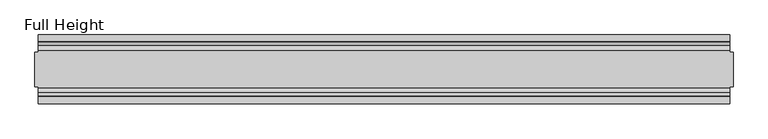
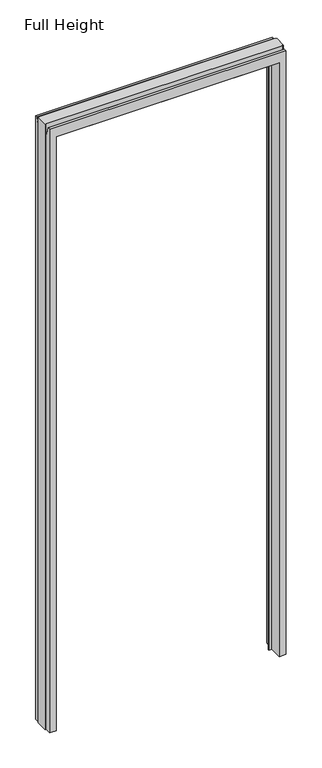
"""IFC4 building model written with IfcOpenShell, lengths in millimetres: plate geometry, Full Height."""

from ifc_helpers import new_model, si_unit, frame, origin, place, context, project, spatial, polyline, circle_curve, source, transform, mapped, element, save
from ifc_brep_helpers import plane_surface, cylinder_surface, revolved_surface, advanced_brep


def full_height_939d0b07(model_context):
    return source(origin(), model_context, "Body", "AdvancedBrep", [
        advanced_brep(
        [(-502.5367517, 50.0, 0.0), (-480.4387517, 50.0, 0.0), (-474.4697517, 6.1006519, 0.0), (-461.7697517, 6.1006519, 0.0), (-461.7697517, 4.8306519, 0.0), (-474.4697517, 4.8306519, 0.0), (-474.4697517, -50.0, 0.0), (-502.5367517, -50.0, 0.0), (-502.5367517, -25.146, 0.0), (-507.1087517, -25.146, 0.0), (-507.1087517, 25.146, 0.0), (-502.5367517, 25.146, 0.0), (502.5367517, -50.0, 0.0), (474.4697517, -50.0, 0.0), (474.4697517, 4.8306519, 0.0), (461.7697517, 4.8306519, 0.0), (461.7697517, 6.1006519, 0.0), (474.4697517, 6.1006519, 0.0), (480.4387517, 50.0, 0.0), (502.5367517, 50.0, 0.0), (502.5367517, 25.146, 0.0), (507.1087517, 25.146, 0.0), (507.1087517, -25.146, 0.0), (502.5367517, -25.146, 0.0), (507.1087517, 25.146, 2720.34), (502.5367517, 25.146, 2720.34), (502.5367517, 26.67, 2720.34), (-502.5367517, 26.67, 2720.34), (-502.5367517, 25.146, 2720.34), (-507.1087517, 25.146, 2720.34), (-507.1087517, -25.146, 2720.34), (-502.5367517, -25.146, 2720.34), (-502.5367517, -26.67, 2720.34), (502.5367517, -26.67, 2720.34), (502.5367517, -25.146, 2720.34), (507.1087517, -25.146, 2720.34), (-502.5367517, -50.0, 2711.196), (-502.5367517, -39.9371387, 2711.196), (-502.5367517, -39.1867152, 2710.5663199), (-502.5367517, -34.2321175, 2682.4674004), (-502.5367517, -26.67, 2683.129), (-502.5367517, 26.67, 2683.129), (-502.5367517, 34.2321175, 2682.4674004), (-502.5367517, 39.1867152, 2710.5663199), (-502.5367517, 39.9371387, 2711.196), (-502.5367517, 50.0, 2711.196), (-474.4697517, -50.0, 2666.619), (474.4697517, -50.0, 2666.619), (502.5367517, -50.0, 2711.196), (502.5367517, 50.0, 2711.196), (480.4387517, 50.0, 2666.619), (-480.4387517, 50.0, 2666.619), (502.5367517, 39.9371387, 2711.196), (502.5367517, 39.1867152, 2710.5663199), (502.5367517, 34.2321175, 2682.4674004), (502.5367517, 26.67, 2683.129), (502.5367517, -26.67, 2683.129), (502.5367517, -34.2321175, 2682.4674004), (502.5367517, -39.1867152, 2710.5663199), (502.5367517, -39.9371387, 2711.196), (-474.4697517, 4.8306519, 2666.619), (474.4697517, 4.8306519, 2666.619), (-461.7697517, 4.8306519, 2622.55), (461.7697517, 4.8306519, 2622.55), (-461.7697517, 6.1006519, 2622.55), (-474.4697517, 6.1006519, 2660.65), (474.4697517, 6.1006519, 2660.65), (461.7697517, 6.1006519, 2622.55)],
        [
            (0, 1),
            (1, 2),
            (2, 3),
            (3, 4),
            (4, 5),
            (5, 6),
            (6, 7),
            (7, 8),
            (8, 9),
            (9, 10),
            (10, 11),
            (11, 0),
            (12, 13),
            (13, 14),
            (14, 15),
            (15, 16),
            (16, 17),
            (17, 18),
            (18, 19),
            (19, 20),
            (20, 21),
            (21, 22),
            (22, 23),
            (23, 12),
            (24, 25),
            (25, 26),
            (26, 27),
            (27, 28),
            (28, 29),
            (29, 30),
            (30, 31),
            (31, 32),
            (32, 33),
            (33, 34),
            (34, 35),
            (35, 24),
            (20, 25),
            (24, 21),
            (34, 23),
            (22, 35),
            (29, 10),
            (9, 30),
            (8, 31),
            (28, 11),
            (7, 36),
            (36, 37),
            (37, 38, circle_curve(frame((-502.5367517, -39.9371387, 2710.434), z_axis=(-1.0, 0.0, 0.0), x_axis=(0.0, -1.0, 0.0)), 0.762)),
            (38, 39),
            (39, 40, circle_curve(frame((-502.5367517, -30.48, 2683.129), z_axis=(1.0, 0.0, 0.0), x_axis=(0.0, -1.0, 0.0)), 3.81)),
            (40, 32),
            (27, 41),
            (41, 42, circle_curve(frame((-502.5367517, 30.48, 2683.129), z_axis=(1.0, 0.0, 0.0), x_axis=(0.0, -1.0, 0.0)), 3.81)),
            (42, 43),
            (43, 44, circle_curve(frame((-502.5367517, 39.9371387, 2710.434), z_axis=(-1.0, 0.0, 0.0), x_axis=(0.0, -1.0, 0.0)), 0.762)),
            (44, 45),
            (45, 0),
            (6, 46),
            (46, 47),
            (47, 13),
            (12, 48),
            (48, 36),
            (45, 49),
            (49, 19),
            (18, 50),
            (50, 51),
            (51, 1),
            (49, 52),
            (52, 53, circle_curve(frame((502.5367517, 39.9371387, 2710.434), z_axis=(1.0, 0.0, 0.0), x_axis=(0.0, -1.0, 0.0)), 0.762)),
            (53, 54),
            (54, 55, circle_curve(frame((502.5367517, 30.48, 2683.129), z_axis=(-1.0, 0.0, 0.0), x_axis=(0.0, -1.0, 0.0)), 3.81)),
            (55, 26),
            (33, 56),
            (56, 57, circle_curve(frame((502.5367517, -30.48, 2683.129), z_axis=(-1.0, 0.0, 0.0), x_axis=(0.0, -1.0, 0.0)), 3.81)),
            (57, 58),
            (58, 59, circle_curve(frame((502.5367517, -39.9371387, 2710.434), z_axis=(1.0, 0.0, 0.0), x_axis=(0.0, -1.0, 0.0)), 0.762)),
            (59, 48),
            (5, 60),
            (60, 46),
            (61, 14),
            (47, 61),
            (4, 62),
            (62, 63),
            (63, 15),
            (61, 60),
            (3, 64),
            (64, 62),
            (2, 65),
            (65, 66),
            (66, 17),
            (16, 67),
            (67, 64),
            (51, 65),
            (66, 50),
            (63, 67),
            (55, 41),
            (54, 42),
            (53, 43),
            (52, 44),
            (59, 37),
            (58, 38),
            (57, 39),
            (56, 40),
        ],
        [
            plane_surface(frame((-502.5367517, -50.0, 0.0), z_axis=(0.0, 0.0, -1.0), x_axis=(0.0, 1.0, 0.0))),
            plane_surface(frame((502.5367517, 25.146, 2720.34), z_axis=(0.0, 0.0, 1.0), x_axis=(-1.0, 0.0, 0.0))),
            plane_surface(frame((507.1087517, 25.146, 2720.34), z_axis=(0.0, 1.0, 0.0), x_axis=(0.0, 0.0, -1.0))),
            plane_surface(frame((502.5367517, -25.146, 2720.34), z_axis=(0.0, -1.0, 0.0), x_axis=(0.0, 0.0, -1.0))),
            plane_surface(frame((507.1087517, -25.146, 2720.34), z_axis=(1.0, 0.0, 0.0), x_axis=(0.0, 0.0, -1.0))),
            plane_surface(frame((-507.1087517, 25.146, 2720.34), z_axis=(-1.0, 0.0, 0.0), x_axis=(0.0, 0.0, -1.0))),
            plane_surface(frame((-507.1087517, -25.146, 2720.34), z_axis=(0.0, -1.0, 0.0), x_axis=(0.0, 0.0, -1.0))),
            plane_surface(frame((-502.5367517, 25.146, 2720.34), z_axis=(0.0, 1.0, 0.0), x_axis=(0.0, 0.0, -1.0))),
            plane_surface(frame((-502.5367517, 50.0, 2678.4046), z_axis=(-1.0, 0.0, 0.0), x_axis=(0.0, 0.0, -1.0))),
            plane_surface(frame((-502.5367517, -50.0, 2678.4046), z_axis=(0.0, -1.0, 0.0), x_axis=(0.0, 0.0, -1.0))),
            plane_surface(frame((-480.4387517, 50.0, 2678.4046), z_axis=(0.0, 1.0, 0.0), x_axis=(0.0, 0.0, -1.0))),
            plane_surface(frame((502.5367517, -50.0, 2678.4046), z_axis=(1.0, 0.0, 0.0), x_axis=(0.0, 0.0, -1.0))),
            plane_surface(frame((-474.4697517, -50.0, 2678.4046), z_axis=(1.0, 0.0, 0.0), x_axis=(0.0, 0.0, -1.0))),
            plane_surface(frame((474.4697517, 4.8306519, 2678.4046), z_axis=(-1.0, 0.0, 0.0), x_axis=(0.0, 0.0, -1.0))),
            plane_surface(frame((-474.4697517, 4.8306519, 2678.4046), z_axis=(0.0, -1.0, 0.0), x_axis=(0.0, 0.0, -1.0))),
            plane_surface(frame((-461.7697517, 4.8306519, 2678.4046), z_axis=(1.0, 0.0, 0.0), x_axis=(0.0, 0.0, -1.0))),
            plane_surface(frame((-461.7697517, 6.1006519, 2678.4046), z_axis=(0.0, 1.0, 0.0), x_axis=(0.0, 0.0, -1.0))),
            plane_surface(frame((-474.4697517, 6.1006519, 2678.4046), z_axis=(0.9908822943533607, 0.13473039277393886, 0.0), x_axis=(0.0, 0.0, -1.0))),
            plane_surface(frame((480.4387517, 50.0, 2678.4046), z_axis=(-0.9908822943533602, 0.13473039277394336, 0.0), x_axis=(0.0, 0.0, -1.0))),
            plane_surface(frame((461.7697517, 6.1006519, 2678.4046), z_axis=(-1.0, 0.0, 0.0), x_axis=(0.0, 0.0, -1.0))),
            plane_surface(frame((-502.5367517, 26.67, 2720.34), z_axis=(0.0, 1.0, 0.0), x_axis=(1.0, 0.0, 0.0))),
            revolved_surface(polyline([(502.5367517, 26.67, 2683.129), (-502.5367517, 26.67, 2683.129)]), (502.5367517, 30.48, 2683.129), (1.0, 0.0, 0.0)),
            plane_surface(frame((-502.5367517, 34.2321175, 2682.4674004), z_axis=(0.0, -0.9848077530121587, 0.1736481776672104), x_axis=(1.0, 0.0, 0.0))),
            cylinder_surface(frame((502.5367517, 39.9371387, 2710.434), z_axis=(-1.0, 0.0, 0.0), x_axis=(0.0, -1.0, 0.0)), 0.762),
            plane_surface(frame((-502.5367517, 39.9371387, 2711.196), z_axis=(0.0, 0.0, 1.0), x_axis=(1.0, 0.0, 0.0))),
            plane_surface(frame((-502.5367517, 4.8306519, 2666.619), z_axis=(0.0, 0.0, -1.0), x_axis=(1.0, 0.0, 0.0))),
            plane_surface(frame((-502.5367517, -50.0, 2711.196), z_axis=(0.0, 0.0, 1.0), x_axis=(1.0, 0.0, 0.0))),
            cylinder_surface(frame((502.5367517, -39.9371387, 2710.434), z_axis=(-1.0, 0.0, 0.0), x_axis=(0.0, -1.0, 0.0)), 0.762),
            plane_surface(frame((-502.5367517, -39.1867152, 2710.5663199), z_axis=(0.0, 0.9848077530121684, 0.17364817766715565), x_axis=(1.0, 0.0, 0.0))),
            revolved_surface(polyline([(502.5367517, -34.29, 2683.129), (-502.5367517, -34.29, 2683.129)]), (502.5367517, -30.48, 2683.129), (1.0, 0.0, 0.0)),
            plane_surface(frame((-502.5367517, -26.67, 2683.129), z_axis=(0.0, -1.0, 0.0), x_axis=(1.0, 0.0, 0.0))),
            plane_surface(frame((-502.5367517, 50.0, 2666.619), z_axis=(0.0, 0.13473039277391335, -0.9908822943533642), x_axis=(1.0, 0.0, 0.0))),
            plane_surface(frame((-502.5367517, 6.1006519, 2622.55), z_axis=(0.0, 0.0, -1.0), x_axis=(1.0, 0.0, 0.0))),
        ],
        [
            (0, [[1, 2, 3, 4, 5, 6, 7, 8, 9, 10, 11, 12]]),
            (0, [[13, 14, 15, 16, 17, 18, 19, 20, 21, 22, 23, 24]]),
            (1, [[25, 26, 27, 28, 29, 30, 31, 32, 33, 34, 35, 36]]),
            (2, [[37, -25, 38, -21]]),
            (3, [[-35, 39, -23, 40]]),
            (4, [[-36, -40, -22, -38]]),
            (5, [[-30, 41, -10, 42]]),
            (6, [[43, -31, -42, -9]]),
            (7, [[-29, 44, -11, -41]]),
            (8, [[-8, 45, 46, 47, 48, 49, 50, -32, -43]]),
            (8, [[-12, -44, -28, 51, 52, 53, 54, 55, 56]]),
            (9, [[-45, -7, 57, 58, 59, -13, 60, 61]]),
            (10, [[-1, -56, 62, 63, -19, 64, 65, 66]]),
            (11, [[-20, -63, 67, 68, 69, 70, 71, -26, -37]]),
            (11, [[-60, -24, -39, -34, 72, 73, 74, 75, 76]]),
            (12, [[-6, 77, 78, -57]]),
            (13, [[79, -14, -59, 80]]),
            (14, [[-5, 81, 82, 83, -15, -79, 84, -77]]),
            (15, [[-4, 85, 86, -81]]),
            (16, [[-3, 87, 88, 89, -17, 90, 91, -85]]),
            (17, [[-87, -2, -66, 92]]),
            (18, [[-18, -89, 93, -64]]),
            (19, [[-16, -83, 94, -90]]),
            (20, [[-51, -27, -71, 95]]),
            (21, [[-52, -95, -70, 96]]),
            (22, [[-53, -96, -69, 97]]),
            (23, [[-54, -97, -68, 98]]),
            (24, [[-55, -98, -67, -62]]),
            (25, [[-58, -78, -84, -80]]),
            (26, [[-46, -61, -76, 99]]),
            (27, [[-47, -99, -75, 100]]),
            (28, [[-48, -100, -74, 101]]),
            (29, [[-49, -101, -73, 102]]),
            (30, [[-50, -102, -72, -33]]),
            (31, [[-65, -93, -88, -92]]),
            (32, [[-91, -94, -82, -86]]),
        ],
    ),
    ])


if __name__ == "__main__":
    model = new_model("IFC4")
    model_context = context("Model", 3, world=origin())
    ifc_project = project(units=[si_unit("LENGTHUNIT", "METRE", prefix="MILLI")], contexts=[model_context])
    site = spatial("IfcSite", under=ifc_project)
    building = spatial("IfcBuilding", under=site)
    placement = place(None, origin())
    full_height_shape = full_height_939d0b07(model_context)
    element("IfcPlate", 1, ObjectType="Full Height", at=placement, inside=building, context=model_context, shape_type="MappedRepresentation", body=[
        mapped(full_height_shape, transform((0.0, 0.0, 0.0), x_axis=(1.0, 0.0, 0.0), y_axis=(0.0, 1.0, 0.0), z_axis=(0.0, 0.0, 1.0))),
    ])
    save(model, "model.ifc")
